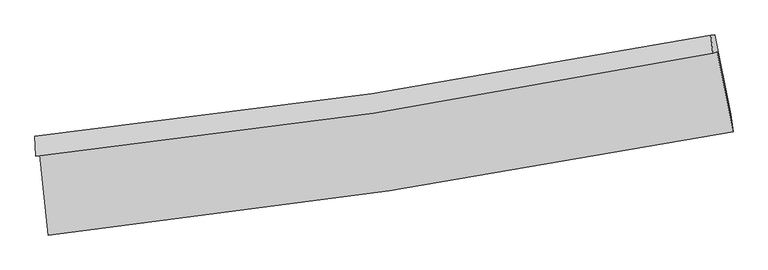
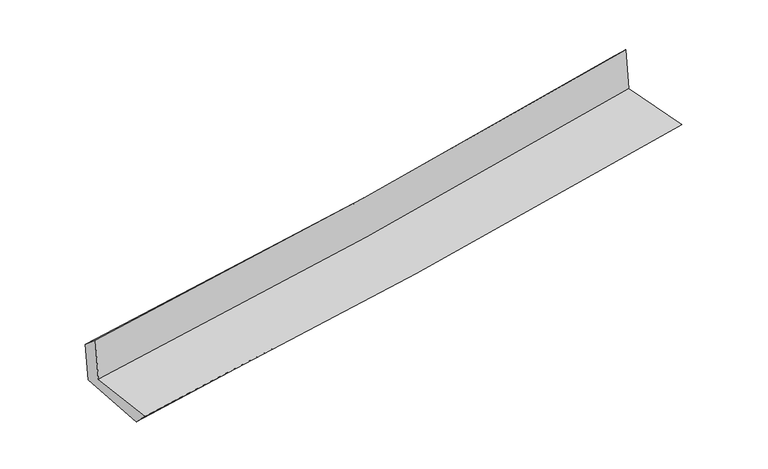
"""IFC4 building model written with IfcOpenShell, lengths in millimetres: proxy geometry."""

from ifc_helpers import new_model, si_unit, frame, origin, place, context, project, spatial, source, transform, mapped, element, save
from ifc_brep_helpers import plane_surface, spline_curve, spline_surface, advanced_brep


def generic_models_2b4ce548(model_context):
    return source(origin(), model_context, "Body", "AdvancedBrep", [
        advanced_brep(
        [(-2773.4115728, -1899.3987467, 1647.3443046), (-2704.4738292, -2554.146596, 1648.0439453), (2862.4621607, -1713.536634, 2114.3305391), (2732.9889084, -1062.8085714, 2124.7408672), (-2807.6008008, -1912.7080887, 2054.0722904), (2698.395366, -1076.2753067, 2536.2787295), (-2812.592242, -1751.8482909, 1917.3942913), (2682.0455933, -928.0722157, 2393.5177748), (-2780.8955475, -1751.1655983, 1554.3557732), (2713.8325295, -927.262327, 2040.6013975), (-2707.4522175, -2409.6130129, 1508.0227459), (2844.796407, -1571.6155695, 1999.8144451)],
        [
            (0, 1),
            (1, 2, spline_curve(3, [(-2704.4738292, -2554.146596, 1648.0439453), (-1777.962114986, -2451.634312128, 1731.782728446), (-853.695322394, -2330.882759777, 1812.285667954), (1002.007139599, -2051.143616955, 1967.796882769), (1933.385676703, -1891.691848365, 2042.722807546), (2862.4621607, -1713.536634, 2114.3305391)], [4, 2, 4], [0.0, 9.163445295565442, 18.442759900532415])),
            (2, 3),
            (3, 0, spline_curve(3, [(2732.9889084, -1062.8085714, 2124.7408672), (1815.464585252, -1248.297091382, 2056.637643257), (894.934051222, -1411.053271615, 1982.515462716), (-940.607383193, -1689.352497802, 1823.233897977), (-1855.54367636, -1805.459709245, 1738.223890954), (-2773.4115728, -1899.3987467, 1647.3443046)], [4, 2, 4], [0.0, 9.279314604966974, 18.442759900532415])),
            (4, 0),
            (3, 5),
            (5, 4, spline_curve(3, [(2698.395366, -1076.2753067, 2536.2787295), (1781.05765388, -1261.691181741, 2465.955507558), (860.653956898, -1424.397986522, 2390.324426538), (-974.75418947, -1702.645325683, 2229.457217793), (-1889.682547977, -1818.749448226, 2144.352819238), (-2807.6008008, -1912.7080887, 2054.0722904)], [4, 2, 4], [0.0, 9.230990536282034, 18.34671517803792])),
            (6, 4),
            (5, 7),
            (7, 6, spline_curve(3, [(2682.0455933, -928.0722157, 2393.5177748), (1766.864097286, -1107.794878522, 2315.058803927), (848.490193256, -1266.604941382, 2235.898707948), (-983.134980302, -1540.67796238, 2077.173479879), (-1896.307021498, -1656.45992483, 1997.62574802), (-2812.592242, -1751.8482909, 1917.3942913)], [4, 2, 4], [0.0, 9.21937657688821, 18.32363228089375])),
            (8, 6),
            (7, 9),
            (9, 8, spline_curve(3, [(2713.8325295, -927.262327, 2040.6013975), (1798.058681898, -1107.027742173, 1966.910504751), (879.382848131, -1265.869779867, 1889.265325695), (-952.265198275, -1539.984932398, 1727.085314706), (-1865.165390183, -1655.777318419, 1642.648618787), (-2780.8955475, -1751.1655983, 1554.3557732)], [4, 2, 4], [0.0, 9.208711786815458, 18.302435870267036])),
            (10, 8),
            (9, 11),
            (11, 10, spline_curve(3, [(2844.796407, -1571.6155695, 1999.8144451), (1918.174091068, -1749.323210204, 1925.470516906), (989.254302921, -1908.332143298, 1847.032873257), (-861.552256533, -2187.200564667, 1683.000709959), (-1783.382010163, -2307.524112203, 1597.507787511), (-2707.4522175, -2409.6130129, 1508.0227459)], [4, 2, 4], [0.0, 9.258175462523159, 18.400745576717405])),
            (1, 10),
            (11, 2),
        ],
        [
            spline_surface(3, 3, [[(-2773.4115728, -1899.3987467, 1647.3443046), (-1855.543676388, -1805.459709226, 1738.223891088), (-940.607383217, -1689.352497763, 1823.23389807), (894.934051247, -1411.053271654, 1982.515462621), (1815.464585162, -1248.297091412, 2056.637643138), (2732.9889084, -1062.8085714, 2124.7408672)], [(-2750.432324961, -2117.648029775, 1647.577518158), (-1829.683155929, -2020.851243517, 1736.076836818), (-911.63669622, -1903.195918456, 1819.584488049), (930.625080682, -1624.41672002, 1977.60926933), (1854.771615697, -1462.762010419, 2051.999364622), (2776.146659155, -1279.717925601, 2121.270757831)], [(-2727.453077039, -2335.897312925, 1647.810731742), (-1803.822635386, -2236.242777885, 1733.929782574), (-882.666009283, -2117.039339217, 1815.935078012), (966.316110055, -1837.780168455, 1972.703076023), (1894.078646265, -1677.226929424, 2047.361086114), (2819.304409945, -1496.627279799, 2117.800648469)], [(-2704.4738292, -2554.146596, 1648.0439453), (-1777.962114927, -2451.634312176, 1731.782728303), (-853.695322286, -2330.882759909, 1812.285667991), (1002.007139489, -2051.143616821, 1967.796882732), (1933.3856768, -1891.691848431, 2042.722807598), (2862.4621607, -1713.536634, 2114.3305391)]], [4, 4], [4, 2, 4], [0.0, 2.1267949768465932], [0.0, 9.163445295565442, 18.442759900532415]),
            spline_surface(3, 3, [[(-2807.6008008, -1912.7080887, 2054.0722904), (-1889.682548073, -1818.749448284, 2144.352819109), (-974.754189524, -1702.645325673, 2229.457217738), (860.653956953, -1424.397986532, 2390.324426594), (1781.057653992, -1261.691181823, 2465.955507675), (2698.395366, -1076.2753067, 2536.2787295)], [(-2796.204391443, -1908.271641367, 1918.496295134), (-1878.302924154, -1814.319535265, 2008.976509769), (-963.371920776, -1698.214383062, 2094.049444506), (872.080655031, -1419.949748264, 2254.38810526), (1792.526631056, -1257.226484994, 2329.516219519), (2709.926546808, -1071.786394909, 2399.09944209)], [(-2784.807982157, -1903.835194033, 1782.920299866), (-1866.923300307, -1809.889622245, 1873.600200428), (-951.989651966, -1693.783440374, 1958.641671302), (883.50735317, -1415.501509921, 2118.451783955), (1803.995608097, -1252.76178824, 2193.076931294), (2721.457727592, -1067.297483191, 2261.92015461)], [(-2773.4115728, -1899.3987467, 1647.3443046), (-1855.543676388, -1805.459709226, 1738.223891088), (-940.607383217, -1689.352497763, 1823.23389807), (894.934051247, -1411.053271654, 1982.515462621), (1815.464585162, -1248.297091412, 2056.637643138), (2732.9889084, -1062.8085714, 2124.7408672)]], [4, 4], [4, 2, 4], [0.0, 1.3408095979011343], [0.0, 9.115724641755884, 18.34671517803792]),
            spline_surface(3, 3, [[(-2812.592242, -1751.8482909, 1917.3942913), (-1896.307021367, -1656.459924926, 1997.625747939), (-983.134980269, -1540.677962501, 2077.173479829), (848.490193222, -1266.60494126, 2235.898707999), (1766.864097252, -1107.794878642, 2315.058803978), (2682.0455933, -928.0722157, 2393.5177748)], [(-2810.928428276, -1805.468223519, 1962.953624311), (-1894.098863612, -1710.556432731, 2046.534771639), (-980.341383339, -1594.667083554, 2127.934725823), (852.544781148, -1319.202623013, 2287.373947555), (1771.595282842, -1159.093646394, 2365.3577052), (2687.495517544, -977.473246058, 2441.10475969)], [(-2809.264614524, -1859.088156081, 2008.512957389), (-1891.890705828, -1764.652940479, 2095.443795408), (-977.547786454, -1648.65620462, 2178.695971744), (856.599369028, -1371.800304779, 2338.849187038), (1776.326468401, -1210.392414071, 2415.656606453), (2692.945441756, -1026.874276342, 2488.69174461)], [(-2807.6008008, -1912.7080887, 2054.0722904), (-1889.682548073, -1818.749448284, 2144.352819109), (-974.754189524, -1702.645325673, 2229.457217738), (860.653956953, -1424.397986532, 2390.324426594), (1781.057653992, -1261.691181823, 2465.955507675), (2698.395366, -1076.2753067, 2536.2787295)]], [4, 4], [4, 2, 4], [0.0, 0.7275840102606511], [0.0, 9.10425570400554, 18.32363228089375]),
            spline_surface(3, 3, [[(-2780.8955475, -1751.1655983, 1554.3557732), (-1865.165390112, -1655.777318386, 1642.648618823), (-952.265198303, -1539.984932353, 1727.085314554), (879.382848159, -1265.869779913, 1889.265325849), (1798.058682013, -1107.02774213, 1966.910504867), (2713.8325295, -927.262327, 2040.6013975)], [(-2791.461112321, -1751.393162509, 1675.36861259), (-1875.545933852, -1656.004853908, 1760.974328552), (-962.555125608, -1540.215942406, 1843.781369623), (869.085296531, -1266.1148337, 2004.809786543), (1787.660487089, -1107.283454273, 2082.959937901), (2703.236884096, -927.532289872, 2158.24018993)], [(-2802.026677179, -1751.620726691, 1796.38145191), (-1885.926477627, -1656.232389404, 1879.30003821), (-972.845052965, -1540.446952447, 1960.47742476), (858.787744851, -1266.359887474, 2120.354247305), (1777.262292176, -1107.5391665, 2199.009370944), (2692.641238704, -927.802252828, 2275.87898237)], [(-2812.592242, -1751.8482909, 1917.3942913), (-1896.307021367, -1656.459924926, 1997.625747939), (-983.134980269, -1540.677962501, 2077.173479829), (848.490193222, -1266.60494126, 2235.898707999), (1766.864097252, -1107.794878642, 2315.058803978), (2682.0455933, -928.0722157, 2393.5177748)]], [4, 4], [4, 2, 4], [0.0, 1.147330597920797], [0.0, 9.093724083451578, 18.302435870267036]),
            spline_surface(3, 3, [[(-2707.4522175, -2409.6130129, 1508.0227459), (-1783.382010124, -2307.524112352, 1597.507787381), (-861.552256609, -2187.200564565, 1683.000709997), (989.254302998, -1908.332143402, 1847.032873219), (1918.174090971, -1749.323210066, 1925.470517046), (2844.796407, -1571.6155695, 1999.8144451)], [(-2731.933327507, -2190.130541355, 1523.467088313), (-1810.643136794, -2090.275181018, 1612.554731174), (-891.789903861, -1971.462020472, 1697.695578188), (952.630484697, -1694.178022217, 1861.110357433), (1878.135621308, -1535.224720772, 1939.283846329), (2801.141781156, -1356.831155352, 2013.410095909)], [(-2756.414437493, -1970.648069845, 1538.911430787), (-1837.904263442, -1873.02624972, 1627.60167503), (-922.027551051, -1755.723476445, 1712.390446364), (916.006666459, -1480.023901098, 1875.187841634), (1838.097151676, -1321.126231424, 1953.097175584), (2757.487155344, -1142.046741148, 2027.005746691)], [(-2780.8955475, -1751.1655983, 1554.3557732), (-1865.165390112, -1655.777318386, 1642.648618823), (-952.265198303, -1539.984932353, 1727.085314554), (879.382848159, -1265.869779913, 1889.265325849), (1798.058682013, -1107.02774213, 1966.910504867), (2713.8325295, -927.262327, 2040.6013975)]], [4, 4], [4, 2, 4], [0.0, 2.1456881256260063], [0.0, 9.142570114194246, 18.400745576717405]),
            spline_surface(3, 3, [[(-2704.4738292, -2554.146596, 1648.0439453), (-1777.962114927, -2451.634312176, 1731.782728303), (-853.695322286, -2330.882759909, 1812.285667991), (1002.007139489, -2051.143616821, 1967.796882732), (1933.3856768, -1891.691848431, 2042.722807598), (2862.4621607, -1713.536634, 2114.3305391)], [(-2705.46662529, -2505.968734976, 1601.370212195), (-1779.76874665, -2403.597578911, 1687.024414691), (-856.314300405, -2282.988694814, 1769.190681991), (997.756193981, -2003.539792367, 1927.542212892), (1928.315148198, -1844.235635652, 2003.638710731), (2856.573576141, -1666.229612509, 2076.15850775)], [(-2706.45942141, -2457.790873924, 1554.696479005), (-1781.575378401, -2355.560845617, 1642.266100994), (-858.93327849, -2235.09462966, 1726.095695998), (993.505248506, -1955.935967855, 1887.287543059), (1923.244619574, -1796.779422845, 1964.554613913), (2850.684991559, -1618.922590991, 2037.98647645)], [(-2707.4522175, -2409.6130129, 1508.0227459), (-1783.382010124, -2307.524112352, 1597.507787381), (-861.552256609, -2187.200564565, 1683.000709997), (989.254302998, -1908.332143402, 1847.032873219), (1918.174090971, -1749.323210066, 1925.470517046), (2844.796407, -1571.6155695, 1999.8144451)]], [4, 4], [4, 2, 4], [0.0, 0.6245901880876408], [0.0, 9.200846944514836, 18.518036132256253]),
            plane_surface(frame((2755.7534941, -1213.2617707, 2201.5472922), z_axis=(0.9772001820736154, 0.19301519161902309, 0.08845869069551478), x_axis=(-0.0897059454209239, -0.0022855874962736046, 0.9959656718210398))),
            plane_surface(frame((-2764.4043683, -2046.4800556, 1721.5388918), z_axis=(-0.9907484605142118, -0.10440755295101721, -0.08669804424264742), x_axis=(-0.10471013958137267, 0.9945022158638647, -0.0010626903183574765))),
        ],
        [
            (0, [[1, 2, 3, 4]]),
            (1, [[5, -4, 6, 7]]),
            (2, [[8, -7, 9, 10]]),
            (3, [[11, -10, 12, 13]]),
            (4, [[14, -13, 15, 16]]),
            (5, [[17, -16, 18, -2]]),
            (6, [[-12, -9, -6, -3, -18, -15]]),
            (7, [[-1, -5, -8, -11, -14, -17]]),
        ],
    ),
    ])


if __name__ == "__main__":
    model = new_model("IFC4")
    model_context = context("Model", 3, world=origin())
    ifc_project = project(units=[si_unit("LENGTHUNIT", "METRE", prefix="MILLI")], contexts=[model_context])
    site = spatial("IfcSite", under=ifc_project)
    building = spatial("IfcBuilding", under=site)
    placement = place(None, origin())
    generic_models_shape = generic_models_2b4ce548(model_context)
    element("IfcBuildingElementProxy", 1, Name="Generic Models", at=placement, inside=building, context=model_context, shape_type="MappedRepresentation", body=[
        mapped(generic_models_shape, transform((0.0, 0.0, 0.0), x_axis=(1.0, 0.0, 0.0), y_axis=(0.0, 1.0, 0.0), z_axis=(0.0, 0.0, 1.0))),
    ])
    save(model, "model.ifc")
